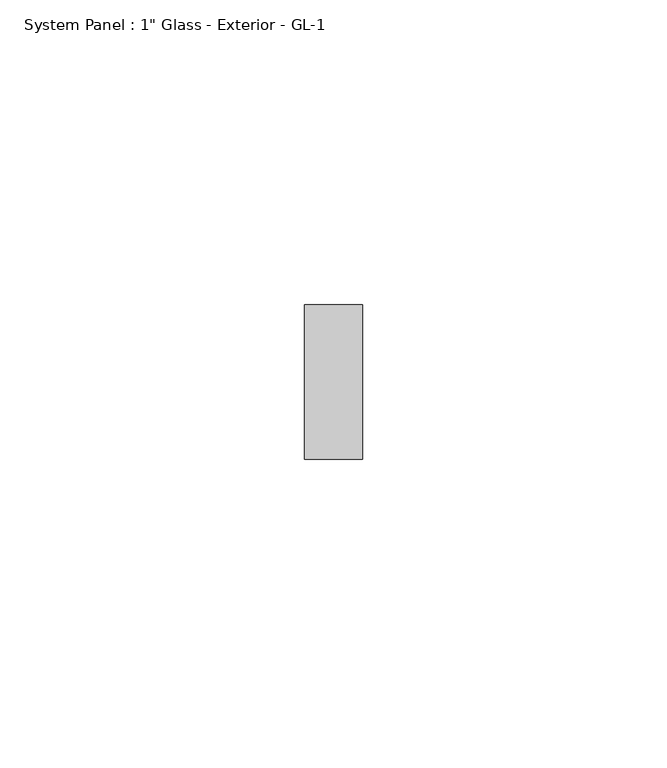
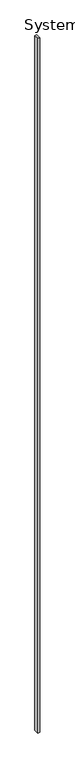
"""IFC4 building model written with IfcOpenShell, lengths in millimetres: plate geometry."""

import ifcopenshell
import ifcopenshell.guid

model = None  # the IFC model being written
_history = None  # IfcOwnerHistory: only IFC2X3 demands one
_inside = {}  # id of a spatial element -> (the spatial element, [elements in it])
_under = {}  # id of a project, library or spatial element -> (it, [spatial elements below it])
_declared = {}  # id of a project -> (the project, [libraries it declares])
_typed = {}  # id of a type object -> (the type object, [elements of that type])
_made_of = {}  # id of a material, layer set ... -> (it, [elements and type objects made of it])


def new_model(schema):
    """Start an empty IFC model of exactly this schema.

    Asked for "IFC4X3", IfcOpenShell would pick the latest addendum, in which some entities
    have other attributes; the version numbers below select the first issue.
    IFC2X3 requires an IfcOwnerHistory on every rooted entity: one is made here for all.
    """
    global model, _history
    if schema == "IFC4X3":
        model = ifcopenshell.file(schema_version=(4, 3, 0, 0))
    else:
        model = ifcopenshell.file(schema=schema)
    _inside.clear()
    _under.clear()
    _declared.clear()
    _typed.clear()
    _made_of.clear()
    _history = None
    if model.schema == "IFC2X3":
        org = make("IfcOrganization", Name="unknown")
        user = make(
            "IfcPersonAndOrganization",
            ThePerson=make("IfcPerson", FamilyName="unknown"),
            TheOrganization=org,
        )
        app = make(
            "IfcApplication",
            ApplicationDeveloper=org,
            Version="unknown",
            ApplicationFullName="unknown",
            ApplicationIdentifier="unknown",
        )
        _history = make(
            "IfcOwnerHistory",
            OwningUser=user,
            OwningApplication=app,
            ChangeAction="ADDED",
            CreationDate=0,
        )
    return model


def make(cls, **values):
    """One entity of the class cls with the attributes given. An attribute that is None is left unset."""
    return model.create_entity(
        cls, **{name: value for name, value in values.items() if value is not None}
    )


def rooted(cls, **values):
    """An entity with a GlobalId (a new one), such as an element, a storey or a relation."""
    return make(cls, GlobalId=ifcopenshell.guid.new(), OwnerHistory=_history, **values)


def si_unit(unit_type, name, prefix=None):
    """IfcSIUnit, for example si_unit("LENGTHUNIT", "METRE", prefix="MILLI")."""
    return make("IfcSIUnit", UnitType=unit_type, Prefix=prefix, Name=name)


def assignment(units):
    """IfcUnitAssignment: the units of a project."""
    return None if units is None else make("IfcUnitAssignment", Units=units)


def point(xyz):
    """IfcCartesianPoint."""
    return None if xyz is None else make("IfcCartesianPoint", Coordinates=xyz)


def direction(xyz):
    """IfcDirection."""
    return None if xyz is None else make("IfcDirection", DirectionRatios=xyz)


def frame(location, z_axis=None, x_axis=None):
    """IfcAxis2Placement3D, a coordinate frame: its origin and axes. An axis left out is left unset."""
    return make(
        "IfcAxis2Placement3D",
        Location=point(location),
        Axis=direction(z_axis),
        RefDirection=direction(x_axis),
    )


def origin():
    """The frame at (0, 0, 0) with its axes left unset."""
    return frame((0.0, 0.0, 0.0))


def origin_with_axes():
    """The frame at (0, 0, 0) with the z axis (0, 0, 1) and the x axis (1, 0, 0) written out."""
    return frame((0.0, 0.0, 0.0), z_axis=(0.0, 0.0, 1.0), x_axis=(1.0, 0.0, 0.0))


def place(relative_to, where):
    """IfcLocalPlacement: puts the frame where relative to a parent placement (None: the world)."""
    return make(
        "IfcLocalPlacement", PlacementRelTo=relative_to, RelativePlacement=where
    )


def context(
    kind, dimensions, precision=None, world=None, true_north=None, identifier=None
):
    """IfcGeometricRepresentationContext, for example the 3D "Model" context."""
    return make(
        "IfcGeometricRepresentationContext",
        ContextIdentifier=identifier,
        ContextType=kind,
        CoordinateSpaceDimension=dimensions,
        Precision=precision,
        WorldCoordinateSystem=world,
        TrueNorth=true_north,
    )


def project(units=None, contexts=None):
    """IfcProject with its units and contexts."""
    return rooted(
        "IfcProject",
        Name="project",
        RepresentationContexts=contexts,
        UnitsInContext=assignment(units),
    )


def spatial(cls, under=None, at=None, **own):
    """A site, building, storey or space (cls), placed at a placement, below another one or the project."""
    s = rooted(cls, ObjectPlacement=at, **own)
    if under is not None:
        _under.setdefault(under.id(), (under, []))[1].append(s)
    return s


def polyline(points):
    """IfcPolyline through the points."""
    return make("IfcPolyline", Points=[point(p) for p in points])


def outline(outer, holes=None, kind="AREA"):
    """IfcArbitraryClosedProfileDef: a profile drawn as a closed curve; with holes, ...WithVoids."""
    if holes is None:
        return make("IfcArbitraryClosedProfileDef", ProfileType=kind, OuterCurve=outer)
    return make(
        "IfcArbitraryProfileDefWithVoids",
        ProfileType=kind,
        OuterCurve=outer,
        InnerCurves=holes,
    )


def extrude(swept, where, along, depth):
    """IfcExtrudedAreaSolid: the profile swept, set in the frame where, extruded along a direction by depth."""
    return make(
        "IfcExtrudedAreaSolid",
        SweptArea=swept,
        Position=where,
        ExtrudedDirection=direction(along),
        Depth=depth,
    )


def shape(context_of_items, identifier, shape_type, items):
    """IfcShapeRepresentation: the items that make up one representation, for example the "Body"."""
    return make(
        "IfcShapeRepresentation",
        ContextOfItems=context_of_items,
        RepresentationIdentifier=identifier,
        RepresentationType=shape_type,
        Items=items,
    )


def source(mapping_origin, context_of_items, identifier, shape_type, items):
    """IfcRepresentationMap: a shape defined once, which mapped items show again and again."""
    return make(
        "IfcRepresentationMap",
        MappingOrigin=mapping_origin,
        MappedRepresentation=shape(context_of_items, identifier, shape_type, items),
    )


def transform(
    local_origin,
    x_axis=None,
    y_axis=None,
    z_axis=None,
    scale=None,
    scale2=None,
    scale3=None,
    uniform=True,
):
    """IfcCartesianTransformationOperator3D, or its non-uniform kind. x_axis, y_axis, z_axis: its Axis1, 2, 3."""
    if uniform:
        return make(
            "IfcCartesianTransformationOperator3D",
            Axis1=direction(x_axis),
            Axis2=direction(y_axis),
            LocalOrigin=point(local_origin),
            Scale=scale,
            Axis3=direction(z_axis),
        )
    return make(
        "IfcCartesianTransformationOperator3DnonUniform",
        Axis1=direction(x_axis),
        Axis2=direction(y_axis),
        LocalOrigin=point(local_origin),
        Scale=scale,
        Axis3=direction(z_axis),
        Scale2=scale2,
        Scale3=scale3,
    )


def mapped(mapping_source, mapping_target):
    """IfcMappedItem: shows the shape of a source again, moved by a transform."""
    return make(
        "IfcMappedItem", MappingSource=mapping_source, MappingTarget=mapping_target
    )


def made_of(thing, what):
    """Note that an element or type object is made of a material, layer set ...; save() writes the relation."""
    if what is not None:
        _made_of.setdefault(what.id(), (what, []))[1].append(thing)
    return thing


def element(
    cls,
    number,
    at=None,
    inside=None,
    cuts=None,
    type_object=None,
    material=None,
    context=None,
    identifier="Body",
    shape_type=None,
    held_by="IfcProductDefinitionShape",
    body=None,
    shapes=None,
    **own,
):
    """One element of the class cls, such as IfcWall. Its Tag is "e" and its number.

    at: its placement. inside: the storey or other place that contains it. cuts: it is an
    opening in that element (IfcRelVoidsElement). A single representation is given by context,
    identifier, shape_type and body (its items); several are given by shapes. held_by: the class
    of the entity that holds the representations. save() writes the other relations.
    """
    e = rooted(cls, Tag="e%d" % number, ObjectPlacement=at, **own)
    if body is not None:
        shapes = [shape(context, identifier, shape_type, body)]
    if shapes is not None:
        e.Representation = make(held_by, Representations=shapes)
    if inside is not None:
        _inside.setdefault(inside.id(), (inside, []))[1].append(e)
    if cuts is not None:
        rooted(
            "IfcRelVoidsElement", RelatingBuildingElement=cuts, RelatedOpeningElement=e
        )
    if type_object is not None:
        _typed.setdefault(type_object.id(), (type_object, []))[1].append(e)
    return made_of(e, material)


def aggregate(whole, parts):
    """IfcRelAggregates: a whole, such as a stair, and the parts it consists of."""
    return rooted("IfcRelAggregates", RelatingObject=whole, RelatedObjects=parts)


def save(model, path):
    """Write the relations noted so far, then the file.

    IfcRelAggregates (storeys below a building ...), IfcRelContainedInSpatialStructure (elements
    in a storey), IfcRelDefinesByType, IfcRelAssociatesMaterial and IfcRelDeclares: one each for
    every whole, place, type object, material and project.
    """
    for whole, parts in _under.values():
        aggregate(whole, parts)
    for where, things in _inside.values():
        rooted(
            "IfcRelContainedInSpatialStructure",
            RelatedElements=things,
            RelatingStructure=where,
        )
    for kind, things in _typed.values():
        rooted("IfcRelDefinesByType", RelatedObjects=things, RelatingType=kind)
    for what, things in _made_of.values():
        rooted("IfcRelAssociatesMaterial", RelatedObjects=things, RelatingMaterial=what)
    for by, libraries in _declared.values():
        rooted("IfcRelDeclares", RelatingContext=by, RelatedDefinitions=libraries)
    model.write(path)


def plate_7edb1786(model_context):
    return source(origin(), model_context, "Body", "SweptSolid", [
        extrude(outline(polyline([(4.7625, 12.7), (-4.7625, 12.7), (-4.7625, 38.1), (4.7625, 38.1), (4.7625, 12.7)])), origin_with_axes(), (0.0, 0.0, 1.0), 3657.6),
    ])


if __name__ == "__main__":
    model = new_model("IFC4")
    model_context = context("Model", 3, world=origin())
    ifc_project = project(units=[si_unit("LENGTHUNIT", "METRE", prefix="MILLI")], contexts=[model_context])
    site = spatial("IfcSite", under=ifc_project)
    building = spatial("IfcBuilding", under=site)
    placement = place(None, origin())
    plate_shape = plate_7edb1786(model_context)
    element("IfcPlate", 1, ObjectType="System Panel : 1\" Glass - Exterior - GL-1", at=placement, inside=building, context=model_context, shape_type="MappedRepresentation", body=[
        mapped(plate_shape, transform((0.0, 0.0, 0.0), x_axis=(1.0, 0.0, 0.0), y_axis=(0.0, 1.0, 0.0), z_axis=(0.0, 0.0, 1.0))),
    ])
    save(model, "model.ifc")
